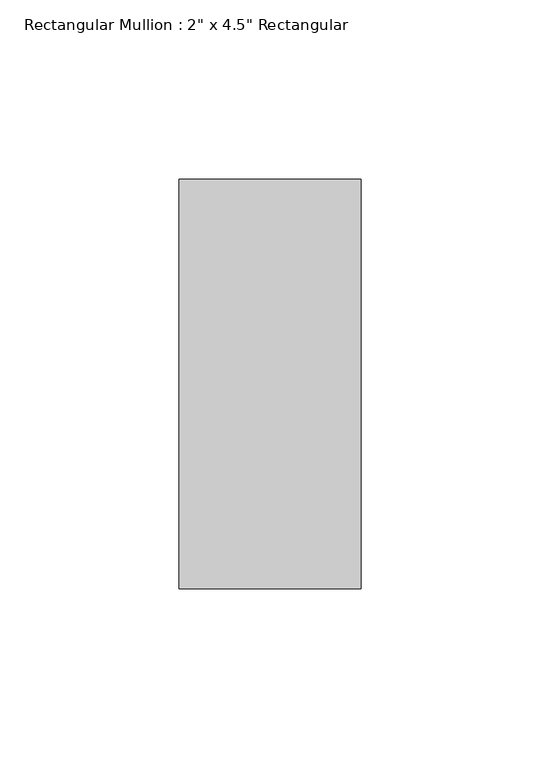
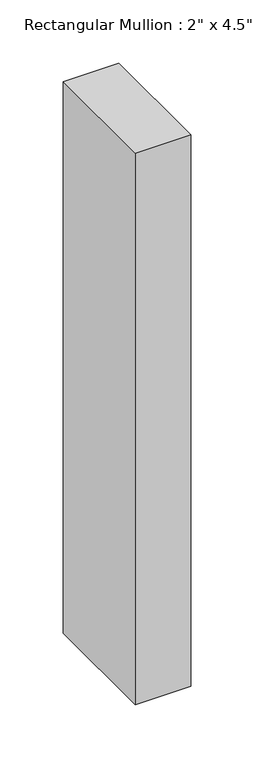
"""IFC4 building model written with IfcOpenShell, lengths in millimetres: member geometry."""

from ifc_helpers import new_model, si_unit, frame, origin, place, context, project, spatial, polyline, outline, extrude, source, transform, mapped, element, save


def member_a10e92eb(model_context):
    return source(origin(), model_context, "Body", "SweptSolid", [
        extrude(outline(polyline([(0.0, 57.15), (0.0, -57.15), (-50.8, -57.15), (-50.8, 57.15), (0.0, 57.15)])), frame((0.0, 0.0, -533.4), z_axis=(0.0, 0.0, 1.0), x_axis=(1.0, 0.0, 0.0)), (0.0, 0.0, 1.0), 533.4),
    ])


if __name__ == "__main__":
    model = new_model("IFC4")
    model_context = context("Model", 3, world=origin())
    ifc_project = project(units=[si_unit("LENGTHUNIT", "METRE", prefix="MILLI")], contexts=[model_context])
    site = spatial("IfcSite", under=ifc_project)
    building = spatial("IfcBuilding", under=site)
    placement = place(None, origin())
    member_shape = member_a10e92eb(model_context)
    element("IfcMember", 1, ObjectType="Rectangular Mullion : 2\" x 4.5\" Rectangular", at=placement, inside=building, context=model_context, shape_type="MappedRepresentation", body=[
        mapped(member_shape, transform((0.0, 0.0, 0.0), x_axis=(1.0, 0.0, 0.0), y_axis=(0.0, 1.0, 0.0), z_axis=(0.0, 0.0, 1.0))),
    ])
    save(model, "model.ifc")
